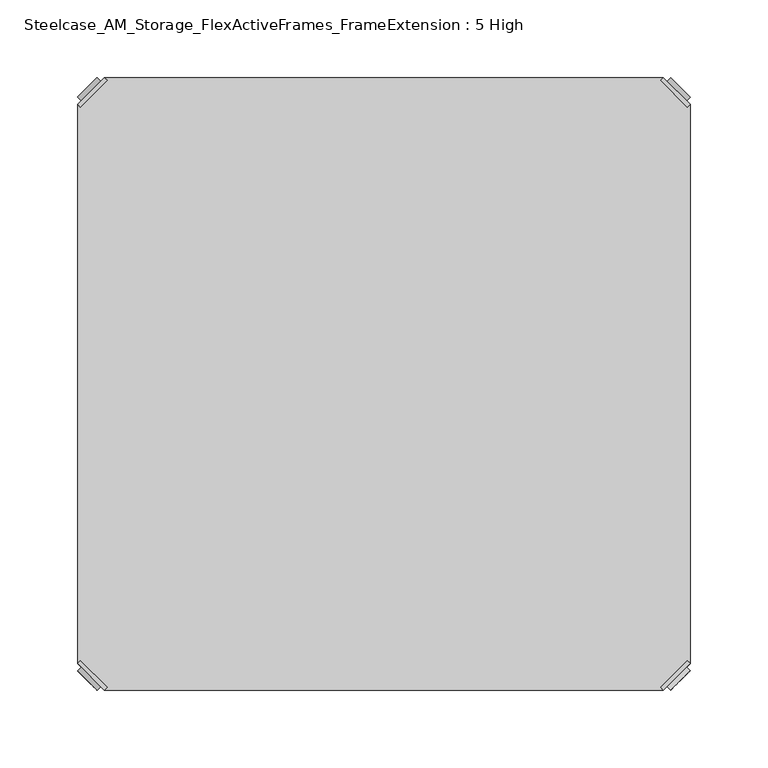
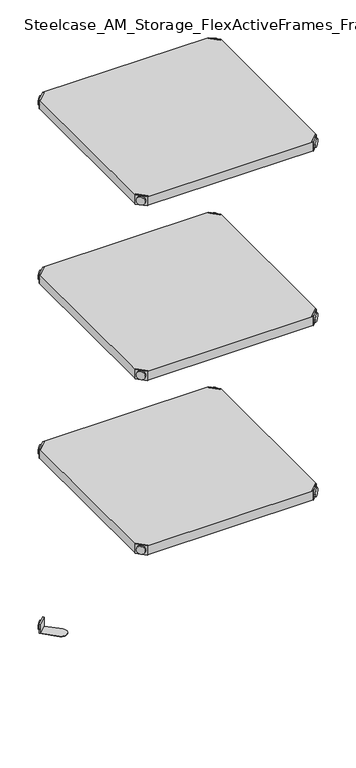
"""IFC4 building model written with IfcOpenShell, lengths in millimetres: furniture geometry, Steelcase_AM_Storage_FlexActiveFrames_FrameExtension : 5 High."""

from ifc_helpers import new_model, si_unit, frame, origin, place, context, project, spatial, polyline, circle_curve, outline, extrude, source, transform, mapped, element, save
from ifc_brep_helpers import plane_surface, cylinder_surface, advanced_brep


def steelcase_am_storage_flexactiveframes_frameextension_5_high_f56de506(model_context):
    return source(origin(), model_context, "Body", "SolidModel", [
        advanced_brep(
        [(2.54, 380.2870969, 1725.93), (4.3360512, 378.4910456, 1725.93), (21.5589544, 395.7139488, 1725.93), (19.7629031, 397.51, 1725.93), (19.7629031, 397.51, 1704.594), (2.54, 380.2870969, 1704.594), (4.8652723, 382.6123691, 1715.77), (17.4376309, 395.1847277, 1715.77), (30.2920522, 352.5350447, 1705.61), (47.5149553, 369.7579478, 1705.61), (21.5589544, 395.7139488, 1705.61), (4.3360512, 378.4910456, 1705.61), (30.2920522, 352.5350447, 1704.594), (47.5149553, 369.7579478, 1704.594), (15.1227513, 397.4996073, 1715.77), (2.5503927, 384.9272487, 1715.77)],
        [
            (0, 1),
            (1, 2),
            (2, 3),
            (3, 0),
            (3, 4),
            (4, 5),
            (5, 0),
            (6, 7, circle_curve(frame((11.1514516, 388.8985484, 1715.77), z_axis=(0.7071067811865446, -0.7071067811865505, 0.0), x_axis=(-0.7071067811865505, -0.7071067811865446, 0.0)), 8.89)),
            (7, 6, circle_curve(frame((11.1514516, 388.8985484, 1715.77), z_axis=(0.7071067811865446, -0.7071067811865505, 0.0), x_axis=(-0.7071067811865505, -0.7071067811865446, 0.0)), 8.89)),
            (8, 9, circle_curve(frame((38.9035037, 361.1464963, 1705.61), z_axis=(0.0, 0.0, 1.0), x_axis=(1.0, 0.0, 0.0)), 12.1784316)),
            (9, 10),
            (10, 11),
            (11, 8),
            (12, 5),
            (4, 13),
            (13, 12, circle_curve(frame((38.9035037, 361.1464963, 1704.594), z_axis=(0.0, 0.0, -1.0), x_axis=(1.0, 0.0, 0.0)), 12.1784316)),
            (14, 15, circle_curve(frame((8.836572, 391.213428, 1715.77), z_axis=(-0.7071067811865446, 0.7071067811865505, 0.0), x_axis=(-0.7071067811865505, -0.7071067811865446, 0.0)), 8.89)),
            (15, 14, circle_curve(frame((8.836572, 391.213428, 1715.77), z_axis=(-0.7071067811865446, 0.7071067811865505, 0.0), x_axis=(-0.7071067811865505, -0.7071067811865446, 0.0)), 8.89)),
            (14, 7),
            (6, 15),
            (1, 11),
            (10, 2),
            (8, 12),
            (13, 9),
        ],
        [
            plane_surface(frame((-19.6579872, 402.485084, 1725.93), z_axis=(0.0, 0.0, 1.0000000000000002), x_axis=(0.7071067811865436, -0.7071067811865516, 0.0))),
            plane_surface(frame((19.7629031, 397.51, 1725.93), z_axis=(-0.7071067811865447, 0.7071067811865503, 0.0), x_axis=(0.0, 0.0, -1.0))),
            plane_surface(frame((51.0819353, 361.1464963, 1705.61), z_axis=(0.0, 0.0, 1.0), x_axis=(0.0, 1.0, 0.0))),
            plane_surface(frame((51.0819353, 361.1464963, 1704.594), z_axis=(0.0, 0.0, -1.0), x_axis=(0.0, -1.0, 0.0))),
            plane_surface(frame((2.5503927, 384.9272487, 1715.77), z_axis=(-0.7071067811865446, 0.7071067811865505, 0.0), x_axis=(0.0, 0.0, 1.0))),
            cylinder_surface(frame((11.1514516, 388.8985484, 1715.77), z_axis=(-0.7071067811865446, 0.7071067811865505, 0.0), x_axis=(-0.7071067811865505, -0.7071067811865446, 0.0)), 8.89),
            plane_surface(frame((4.3360512, 378.4910456, 1725.93), z_axis=(0.7071067811865447, -0.7071067811865503, 0.0), x_axis=(0.0, 0.0, -1.0))),
            cylinder_surface(frame((38.9035037, 361.1464963, 1704.594), z_axis=(0.0, 0.0, 1.0), x_axis=(1.0, 0.0, 0.0)), 12.1784316),
            plane_surface(frame((2.54, 380.2870969, 1725.93), z_axis=(-0.7071067811865516, -0.7071067811865436, 0.0), x_axis=(0.0, 0.0, -1.0))),
            plane_surface(frame((21.5589544, 395.7139488, 1725.93), z_axis=(0.7071067811865513, 0.7071067811865437, 0.0), x_axis=(0.0, 0.0, -1.0))),
        ],
        [
            (0, [[1, 2, 3, 4]]),
            (1, [[-4, 5, 6, 7], [8, 9]]),
            (2, [[10, 11, 12, 13]]),
            (3, [[14, -6, 15, 16]]),
            (4, [[17, 18]]),
            (5, [[-17, 19, -8, 20]]),
            (5, [[-18, -20, -9, -19]]),
            (6, [[-2, 21, -12, 22]]),
            (7, [[-10, 23, -16, 24]]),
            (8, [[-1, -7, -14, -23, -13, -21]]),
            (9, [[-3, -22, -11, -24, -15, -5]]),
        ],
    ),
        advanced_brep(
        [(397.51, 380.2870969, 1725.93), (380.2870969, 397.51, 1725.93), (378.4910456, 395.7139488, 1725.93), (395.7139488, 378.4910456, 1725.93), (397.51, 380.2870969, 1704.594), (380.2870969, 397.51, 1704.594), (395.1847277, 382.6123691, 1715.77), (382.6123691, 395.1847277, 1715.77), (369.7579478, 352.5350447, 1705.61), (395.7139488, 378.4910456, 1705.61), (378.4910456, 395.7139488, 1705.61), (352.5350447, 369.7579478, 1705.61), (369.7579478, 352.5350447, 1704.594), (352.5350447, 369.7579478, 1704.594), (384.9272487, 397.4996073, 1715.77), (397.4996073, 384.9272487, 1715.77)],
        [
            (0, 1),
            (1, 2),
            (2, 3),
            (3, 0),
            (0, 4),
            (4, 5),
            (5, 1),
            (6, 7, circle_curve(frame((388.8985484, 388.8985484, 1715.77), z_axis=(-0.7071067811865446, -0.7071067811865505, 0.0), x_axis=(0.7071067811865505, -0.7071067811865446, 0.0)), 8.89)),
            (7, 6, circle_curve(frame((388.8985484, 388.8985484, 1715.77), z_axis=(-0.7071067811865446, -0.7071067811865505, 0.0), x_axis=(0.7071067811865505, -0.7071067811865446, 0.0)), 8.89)),
            (8, 9),
            (9, 10),
            (10, 11),
            (11, 8, circle_curve(frame((361.1464963, 361.1464963, 1705.61), z_axis=(0.0, 0.0, 1.0), x_axis=(-1.0, 0.0, 0.0)), 12.1784316)),
            (12, 13, circle_curve(frame((361.1464963, 361.1464963, 1704.594), z_axis=(0.0, 0.0, -1.0), x_axis=(-1.0, 0.0, 0.0)), 12.1784316)),
            (13, 5),
            (4, 12),
            (14, 15, circle_curve(frame((391.213428, 391.213428, 1715.77), z_axis=(0.7071067811865446, 0.7071067811865505, 0.0), x_axis=(0.7071067811865505, -0.7071067811865446, 0.0)), 8.89)),
            (15, 14, circle_curve(frame((391.213428, 391.213428, 1715.77), z_axis=(0.7071067811865446, 0.7071067811865505, 0.0), x_axis=(0.7071067811865505, -0.7071067811865446, 0.0)), 8.89)),
            (15, 6),
            (7, 14),
            (2, 10),
            (9, 3),
            (11, 13),
            (12, 8),
        ],
        [
            plane_surface(frame((419.7079872, 402.485084, 1725.93), z_axis=(0.0, 0.0, 1.0000000000000002), x_axis=(-0.7071067811865436, -0.7071067811865516, 0.0))),
            plane_surface(frame((380.2870969, 397.51, 1725.93), z_axis=(0.7071067811865447, 0.7071067811865503, 0.0), x_axis=(0.0, 0.0, -1.0))),
            plane_surface(frame((348.9680647, 361.1464963, 1705.61), z_axis=(0.0, 0.0, 1.0), x_axis=(0.0, 1.0, 0.0))),
            plane_surface(frame((348.9680647, 361.1464963, 1704.594), z_axis=(0.0, 0.0, -1.0), x_axis=(0.0, -1.0, 0.0))),
            plane_surface(frame((397.4996073, 384.9272487, 1715.77), z_axis=(0.7071067811865446, 0.7071067811865505, 0.0), x_axis=(0.0, 0.0, 1.0))),
            cylinder_surface(frame((388.8985484, 388.8985484, 1715.77), z_axis=(0.7071067811865446, 0.7071067811865505, 0.0), x_axis=(0.7071067811865505, -0.7071067811865446, 0.0)), 8.89),
            plane_surface(frame((395.7139488, 378.4910456, 1725.93), z_axis=(-0.7071067811865447, -0.7071067811865503, 0.0), x_axis=(0.0, 0.0, -1.0))),
            cylinder_surface(frame((361.1464963, 361.1464963, 1704.594), z_axis=(0.0, 0.0, 1.0), x_axis=(-1.0, 0.0, 0.0)), 12.1784316),
            plane_surface(frame((397.51, 380.2870969, 1725.93), z_axis=(0.7071067811865516, -0.7071067811865436, 0.0), x_axis=(0.0, 0.0, -1.0))),
            plane_surface(frame((378.4910456, 395.7139488, 1725.93), z_axis=(-0.7071067811865513, 0.7071067811865437, 0.0), x_axis=(0.0, 0.0, -1.0))),
        ],
        [
            (0, [[1, 2, 3, 4]]),
            (1, [[5, 6, 7, -1], [8, 9]]),
            (2, [[10, 11, 12, 13]]),
            (3, [[14, 15, -6, 16]]),
            (4, [[17, 18]]),
            (5, [[19, -9, 20, -18]]),
            (5, [[-20, -8, -19, -17]]),
            (6, [[21, -11, 22, -3]]),
            (7, [[23, -14, 24, -13]]),
            (8, [[-22, -10, -24, -16, -5, -4]]),
            (9, [[-7, -15, -23, -12, -21, -2]]),
        ],
    ),
        advanced_brep(
        [(397.51, 19.7629031, 1725.93), (395.7139488, 21.5589544, 1725.93), (378.4910456, 4.3360512, 1725.93), (380.2870969, 2.54, 1725.93), (380.2870969, 2.54, 1704.594), (397.51, 19.7629031, 1704.594), (395.1847277, 17.4376309, 1715.77), (382.6123691, 4.8652723, 1715.77), (369.7579478, 47.5149553, 1705.61), (352.5350447, 30.2920522, 1705.61), (378.4910456, 4.3360512, 1705.61), (395.7139488, 21.5589544, 1705.61), (369.7579478, 47.5149553, 1704.594), (352.5350447, 30.2920522, 1704.594), (384.9272487, 2.5503927, 1715.77), (397.4996073, 15.1227513, 1715.77)],
        [
            (0, 1),
            (1, 2),
            (2, 3),
            (3, 0),
            (3, 4),
            (4, 5),
            (5, 0),
            (6, 7, circle_curve(frame((388.8985484, 11.1514516, 1715.77), z_axis=(-0.7071067811865469, 0.7071067811865481, 0.0), x_axis=(0.7071067811865481, 0.7071067811865469, 0.0)), 8.89)),
            (7, 6, circle_curve(frame((388.8985484, 11.1514516, 1715.77), z_axis=(-0.7071067811865469, 0.7071067811865481, 0.0), x_axis=(0.7071067811865481, 0.7071067811865469, 0.0)), 8.89)),
            (8, 9, circle_curve(frame((361.1464963, 38.9035037, 1705.61), z_axis=(0.0, 0.0, 1.0), x_axis=(-1.0, 0.0, 0.0)), 12.1784316)),
            (9, 10),
            (10, 11),
            (11, 8),
            (12, 5),
            (4, 13),
            (13, 12, circle_curve(frame((361.1464963, 38.9035037, 1704.594), z_axis=(0.0, 0.0, -1.0), x_axis=(-1.0, 0.0, 0.0)), 12.1784316)),
            (14, 15, circle_curve(frame((391.213428, 8.836572, 1715.77), z_axis=(0.7071067811865469, -0.7071067811865481, 0.0), x_axis=(0.7071067811865481, 0.7071067811865469, 0.0)), 8.89)),
            (15, 14, circle_curve(frame((391.213428, 8.836572, 1715.77), z_axis=(0.7071067811865469, -0.7071067811865481, 0.0), x_axis=(0.7071067811865481, 0.7071067811865469, 0.0)), 8.89)),
            (14, 7),
            (6, 15),
            (1, 11),
            (10, 2),
            (8, 12),
            (13, 9),
        ],
        [
            plane_surface(frame((419.7079872, -2.435084, 1725.93), z_axis=(0.0, 0.0, 1.0000000000000002), x_axis=(-0.7071067811865459, 0.7071067811865492, 0.0))),
            plane_surface(frame((380.2870969, 2.54, 1725.93), z_axis=(0.707106781186547, -0.707106781186548, 0.0), x_axis=(0.0, 0.0, -1.0))),
            plane_surface(frame((348.9680647, 38.9035037, 1705.61), z_axis=(0.0, 0.0, 1.0), x_axis=(0.0, -1.0, 0.0))),
            plane_surface(frame((348.9680647, 38.9035037, 1704.594), z_axis=(0.0, 0.0, -1.0), x_axis=(0.0, 1.0, 0.0))),
            plane_surface(frame((397.4996073, 15.1227513, 1715.77), z_axis=(0.7071067811865469, -0.7071067811865481, 0.0), x_axis=(0.0, 0.0, 1.0))),
            cylinder_surface(frame((388.8985484, 11.1514516, 1715.77), z_axis=(0.7071067811865469, -0.7071067811865481, 0.0), x_axis=(0.7071067811865481, 0.7071067811865469, 0.0)), 8.89),
            plane_surface(frame((395.7139488, 21.5589544, 1725.93), z_axis=(-0.707106781186547, 0.707106781186548, 0.0), x_axis=(0.0, 0.0, -1.0))),
            cylinder_surface(frame((361.1464963, 38.9035037, 1704.594), z_axis=(0.0, 0.0, 1.0), x_axis=(-1.0, 0.0, 0.0)), 12.1784316),
            plane_surface(frame((397.51, 19.7629031, 1725.93), z_axis=(0.7071067811865492, 0.7071067811865459, 0.0), x_axis=(0.0, 0.0, -1.0))),
            plane_surface(frame((378.4910456, 4.3360512, 1725.93), z_axis=(-0.707106781186549, -0.707106781186546, 0.0), x_axis=(0.0, 0.0, -1.0))),
        ],
        [
            (0, [[1, 2, 3, 4]]),
            (1, [[-4, 5, 6, 7], [8, 9]]),
            (2, [[10, 11, 12, 13]]),
            (3, [[14, -6, 15, 16]]),
            (4, [[17, 18]]),
            (5, [[-17, 19, -8, 20]]),
            (5, [[-18, -20, -9, -19]]),
            (6, [[-2, 21, -12, 22]]),
            (7, [[-10, 23, -16, 24]]),
            (8, [[-1, -7, -14, -23, -13, -21]]),
            (9, [[-3, -22, -11, -24, -15, -5]]),
        ],
    ),
        advanced_brep(
        [(2.54, 19.7629031, 1725.93), (19.7629031, 2.54, 1725.93), (21.5589544, 4.3360512, 1725.93), (4.3360512, 21.5589544, 1725.93), (2.54, 19.7629031, 1704.594), (19.7629031, 2.54, 1704.594), (4.8652723, 17.4376309, 1715.77), (17.4376309, 4.8652723, 1715.77), (30.2920522, 47.5149553, 1705.61), (4.3360512, 21.5589544, 1705.61), (21.5589544, 4.3360512, 1705.61), (47.5149553, 30.2920522, 1705.61), (30.2920522, 47.5149553, 1704.594), (47.5149553, 30.2920522, 1704.594), (15.1227513, 2.5503927, 1715.77), (2.5503927, 15.1227513, 1715.77)],
        [
            (0, 1),
            (1, 2),
            (2, 3),
            (3, 0),
            (0, 4),
            (4, 5),
            (5, 1),
            (6, 7, circle_curve(frame((11.1514516, 11.1514516, 1715.77), z_axis=(0.7071067811865469, 0.7071067811865481, 0.0), x_axis=(-0.7071067811865481, 0.7071067811865469, 0.0)), 8.89)),
            (7, 6, circle_curve(frame((11.1514516, 11.1514516, 1715.77), z_axis=(0.7071067811865469, 0.7071067811865481, 0.0), x_axis=(-0.7071067811865481, 0.7071067811865469, 0.0)), 8.89)),
            (8, 9),
            (9, 10),
            (10, 11),
            (11, 8, circle_curve(frame((38.9035037, 38.9035037, 1705.61), z_axis=(0.0, 0.0, 1.0), x_axis=(1.0, 0.0, 0.0)), 12.1784316)),
            (12, 13, circle_curve(frame((38.9035037, 38.9035037, 1704.594), z_axis=(0.0, 0.0, -1.0), x_axis=(1.0, 0.0, 0.0)), 12.1784316)),
            (13, 5),
            (4, 12),
            (14, 15, circle_curve(frame((8.836572, 8.836572, 1715.77), z_axis=(-0.7071067811865469, -0.7071067811865481, 0.0), x_axis=(-0.7071067811865481, 0.7071067811865469, 0.0)), 8.89)),
            (15, 14, circle_curve(frame((8.836572, 8.836572, 1715.77), z_axis=(-0.7071067811865469, -0.7071067811865481, 0.0), x_axis=(-0.7071067811865481, 0.7071067811865469, 0.0)), 8.89)),
            (15, 6),
            (7, 14),
            (2, 10),
            (9, 3),
            (11, 13),
            (12, 8),
        ],
        [
            plane_surface(frame((-19.6579872, -2.435084, 1725.93), z_axis=(0.0, 0.0, 1.0000000000000002), x_axis=(0.7071067811865459, 0.7071067811865492, 0.0))),
            plane_surface(frame((19.7629031, 2.54, 1725.93), z_axis=(-0.707106781186547, -0.707106781186548, 0.0), x_axis=(0.0, 0.0, -1.0))),
            plane_surface(frame((51.0819353, 38.9035037, 1705.61), z_axis=(0.0, 0.0, 1.0), x_axis=(0.0, -1.0, 0.0))),
            plane_surface(frame((51.0819353, 38.9035037, 1704.594), z_axis=(0.0, 0.0, -1.0), x_axis=(0.0, 1.0, 0.0))),
            plane_surface(frame((2.5503927, 15.1227513, 1715.77), z_axis=(-0.7071067811865469, -0.7071067811865481, 0.0), x_axis=(0.0, 0.0, 1.0))),
            cylinder_surface(frame((11.1514516, 11.1514516, 1715.77), z_axis=(-0.7071067811865469, -0.7071067811865481, 0.0), x_axis=(-0.7071067811865481, 0.7071067811865469, 0.0)), 8.89),
            plane_surface(frame((4.3360512, 21.5589544, 1725.93), z_axis=(0.707106781186547, 0.707106781186548, 0.0), x_axis=(0.0, 0.0, -1.0))),
            cylinder_surface(frame((38.9035037, 38.9035037, 1704.594), z_axis=(0.0, 0.0, 1.0), x_axis=(1.0, 0.0, 0.0)), 12.1784316),
            plane_surface(frame((2.54, 19.7629031, 1725.93), z_axis=(-0.7071067811865492, 0.7071067811865459, 0.0), x_axis=(0.0, 0.0, -1.0))),
            plane_surface(frame((21.5589544, 4.3360512, 1725.93), z_axis=(0.707106781186549, -0.707106781186546, 0.0), x_axis=(0.0, 0.0, -1.0))),
        ],
        [
            (0, [[1, 2, 3, 4]]),
            (1, [[5, 6, 7, -1], [8, 9]]),
            (2, [[10, 11, 12, 13]]),
            (3, [[14, 15, -6, 16]]),
            (4, [[17, 18]]),
            (5, [[19, -9, 20, -18]]),
            (5, [[-20, -8, -19, -17]]),
            (6, [[21, -11, 22, -3]]),
            (7, [[23, -14, 24, -13]]),
            (8, [[-22, -10, -24, -16, -5, -4]]),
            (9, [[-7, -15, -23, -12, -21, -2]]),
        ],
    ),
        extrude(outline(polyline([(19.7629031, 2.54), (21.5589544, 4.3360512), (4.3360512, 21.5589544), (2.54, 19.7629031), (2.54, 380.2870969), (4.3360512, 378.4910456), (21.5589544, 395.7139488), (19.7629031, 397.51), (380.2870969, 397.51), (378.4910456, 395.7139488), (395.7139488, 378.4910456), (397.51, 380.2870969), (397.51, 19.7629031), (395.7139488, 21.5589544), (378.4910456, 4.3360512), (380.2870969, 2.54), (19.7629031, 2.54)])), frame((0.0, 0.0, 1705.61), z_axis=(0.0, 0.0, 1.0), x_axis=(1.0, 0.0, 0.0)), (0.0, 0.0, 1.0), 20.32),
        advanced_brep(
        [(2.54, 380.2870969, 1324.61), (4.3360512, 378.4910456, 1324.61), (21.5589544, 395.7139488, 1324.61), (19.7629031, 397.51, 1324.61), (19.7629031, 397.51, 1303.274), (2.54, 380.2870969, 1303.274), (4.8652723, 382.6123691, 1314.45), (17.4376309, 395.1847277, 1314.45), (30.2920522, 352.5350447, 1304.29), (47.5149553, 369.7579478, 1304.29), (21.5589544, 395.7139488, 1304.29), (4.3360512, 378.4910456, 1304.29), (30.2920522, 352.5350447, 1303.274), (47.5149553, 369.7579478, 1303.274), (15.1227513, 397.4996073, 1314.45), (2.5503927, 384.9272487, 1314.45)],
        [
            (0, 1),
            (1, 2),
            (2, 3),
            (3, 0),
            (3, 4),
            (4, 5),
            (5, 0),
            (6, 7, circle_curve(frame((11.1514516, 388.8985484, 1314.45), z_axis=(0.7071067811865446, -0.7071067811865505, 0.0), x_axis=(-0.7071067811865505, -0.7071067811865446, 0.0)), 8.89)),
            (7, 6, circle_curve(frame((11.1514516, 388.8985484, 1314.45), z_axis=(0.7071067811865446, -0.7071067811865505, 0.0), x_axis=(-0.7071067811865505, -0.7071067811865446, 0.0)), 8.89)),
            (8, 9, circle_curve(frame((38.9035037, 361.1464963, 1304.29), z_axis=(0.0, 0.0, 1.0), x_axis=(1.0, 0.0, 0.0)), 12.1784316)),
            (9, 10),
            (10, 11),
            (11, 8),
            (12, 5),
            (4, 13),
            (13, 12, circle_curve(frame((38.9035037, 361.1464963, 1303.274), z_axis=(0.0, 0.0, -1.0), x_axis=(1.0, 0.0, 0.0)), 12.1784316)),
            (14, 15, circle_curve(frame((8.836572, 391.213428, 1314.45), z_axis=(-0.7071067811865446, 0.7071067811865505, 0.0), x_axis=(-0.7071067811865505, -0.7071067811865446, 0.0)), 8.89)),
            (15, 14, circle_curve(frame((8.836572, 391.213428, 1314.45), z_axis=(-0.7071067811865446, 0.7071067811865505, 0.0), x_axis=(-0.7071067811865505, -0.7071067811865446, 0.0)), 8.89)),
            (14, 7),
            (6, 15),
            (1, 11),
            (10, 2),
            (8, 12),
            (13, 9),
        ],
        [
            plane_surface(frame((-19.6579872, 402.485084, 1324.61), z_axis=(0.0, 0.0, 1.0000000000000002), x_axis=(0.7071067811865436, -0.7071067811865516, 0.0))),
            plane_surface(frame((19.7629031, 397.51, 1324.61), z_axis=(-0.7071067811865447, 0.7071067811865503, 0.0), x_axis=(0.0, 0.0, -1.0))),
            plane_surface(frame((51.0819353, 361.1464963, 1304.29), z_axis=(0.0, 0.0, 1.0), x_axis=(0.0, 1.0, 0.0))),
            plane_surface(frame((51.0819353, 361.1464963, 1303.274), z_axis=(0.0, 0.0, -1.0), x_axis=(0.0, -1.0, 0.0))),
            plane_surface(frame((2.5503927, 384.9272487, 1314.45), z_axis=(-0.7071067811865446, 0.7071067811865505, 0.0), x_axis=(0.0, 0.0, 1.0))),
            cylinder_surface(frame((11.1514516, 388.8985484, 1314.45), z_axis=(-0.7071067811865446, 0.7071067811865505, 0.0), x_axis=(-0.7071067811865505, -0.7071067811865446, 0.0)), 8.89),
            plane_surface(frame((4.3360512, 378.4910456, 1324.61), z_axis=(0.7071067811865447, -0.7071067811865503, 0.0), x_axis=(0.0, 0.0, -1.0))),
            cylinder_surface(frame((38.9035037, 361.1464963, 1303.274), z_axis=(0.0, 0.0, 1.0), x_axis=(1.0, 0.0, 0.0)), 12.1784316),
            plane_surface(frame((2.54, 380.2870969, 1324.61), z_axis=(-0.7071067811865516, -0.7071067811865436, 0.0), x_axis=(0.0, 0.0, -1.0))),
            plane_surface(frame((21.5589544, 395.7139488, 1324.61), z_axis=(0.7071067811865513, 0.7071067811865437, 0.0), x_axis=(0.0, 0.0, -1.0))),
        ],
        [
            (0, [[1, 2, 3, 4]]),
            (1, [[-4, 5, 6, 7], [8, 9]]),
            (2, [[10, 11, 12, 13]]),
            (3, [[14, -6, 15, 16]]),
            (4, [[17, 18]]),
            (5, [[-17, 19, -8, 20]]),
            (5, [[-18, -20, -9, -19]]),
            (6, [[-2, 21, -12, 22]]),
            (7, [[-10, 23, -16, 24]]),
            (8, [[-1, -7, -14, -23, -13, -21]]),
            (9, [[-3, -22, -11, -24, -15, -5]]),
        ],
    ),
        advanced_brep(
        [(397.51, 380.2870969, 1324.61), (380.2870969, 397.51, 1324.61), (378.4910456, 395.7139488, 1324.61), (395.7139488, 378.4910456, 1324.61), (397.51, 380.2870969, 1303.274), (380.2870969, 397.51, 1303.274), (395.1847277, 382.6123691, 1314.45), (382.6123691, 395.1847277, 1314.45), (369.7579478, 352.5350447, 1304.29), (395.7139488, 378.4910456, 1304.29), (378.4910456, 395.7139488, 1304.29), (352.5350447, 369.7579478, 1304.29), (369.7579478, 352.5350447, 1303.274), (352.5350447, 369.7579478, 1303.274), (384.9272487, 397.4996073, 1314.45), (397.4996073, 384.9272487, 1314.45)],
        [
            (0, 1),
            (1, 2),
            (2, 3),
            (3, 0),
            (0, 4),
            (4, 5),
            (5, 1),
            (6, 7, circle_curve(frame((388.8985484, 388.8985484, 1314.45), z_axis=(-0.7071067811865446, -0.7071067811865505, 0.0), x_axis=(0.7071067811865505, -0.7071067811865446, 0.0)), 8.89)),
            (7, 6, circle_curve(frame((388.8985484, 388.8985484, 1314.45), z_axis=(-0.7071067811865446, -0.7071067811865505, 0.0), x_axis=(0.7071067811865505, -0.7071067811865446, 0.0)), 8.89)),
            (8, 9),
            (9, 10),
            (10, 11),
            (11, 8, circle_curve(frame((361.1464963, 361.1464963, 1304.29), z_axis=(0.0, 0.0, 1.0), x_axis=(-1.0, 0.0, 0.0)), 12.1784316)),
            (12, 13, circle_curve(frame((361.1464963, 361.1464963, 1303.274), z_axis=(0.0, 0.0, -1.0), x_axis=(-1.0, 0.0, 0.0)), 12.1784316)),
            (13, 5),
            (4, 12),
            (14, 15, circle_curve(frame((391.213428, 391.213428, 1314.45), z_axis=(0.7071067811865446, 0.7071067811865505, 0.0), x_axis=(0.7071067811865505, -0.7071067811865446, 0.0)), 8.89)),
            (15, 14, circle_curve(frame((391.213428, 391.213428, 1314.45), z_axis=(0.7071067811865446, 0.7071067811865505, 0.0), x_axis=(0.7071067811865505, -0.7071067811865446, 0.0)), 8.89)),
            (15, 6),
            (7, 14),
            (2, 10),
            (9, 3),
            (11, 13),
            (12, 8),
        ],
        [
            plane_surface(frame((419.7079872, 402.485084, 1324.61), z_axis=(0.0, 0.0, 1.0000000000000002), x_axis=(-0.7071067811865436, -0.7071067811865516, 0.0))),
            plane_surface(frame((380.2870969, 397.51, 1324.61), z_axis=(0.7071067811865447, 0.7071067811865503, 0.0), x_axis=(0.0, 0.0, -1.0))),
            plane_surface(frame((348.9680647, 361.1464963, 1304.29), z_axis=(0.0, 0.0, 1.0), x_axis=(0.0, 1.0, 0.0))),
            plane_surface(frame((348.9680647, 361.1464963, 1303.274), z_axis=(0.0, 0.0, -1.0), x_axis=(0.0, -1.0, 0.0))),
            plane_surface(frame((397.4996073, 384.9272487, 1314.45), z_axis=(0.7071067811865446, 0.7071067811865505, 0.0), x_axis=(0.0, 0.0, 1.0))),
            cylinder_surface(frame((388.8985484, 388.8985484, 1314.45), z_axis=(0.7071067811865446, 0.7071067811865505, 0.0), x_axis=(0.7071067811865505, -0.7071067811865446, 0.0)), 8.89),
            plane_surface(frame((395.7139488, 378.4910456, 1324.61), z_axis=(-0.7071067811865447, -0.7071067811865503, 0.0), x_axis=(0.0, 0.0, -1.0))),
            cylinder_surface(frame((361.1464963, 361.1464963, 1303.274), z_axis=(0.0, 0.0, 1.0), x_axis=(-1.0, 0.0, 0.0)), 12.1784316),
            plane_surface(frame((397.51, 380.2870969, 1324.61), z_axis=(0.7071067811865516, -0.7071067811865436, 0.0), x_axis=(0.0, 0.0, -1.0))),
            plane_surface(frame((378.4910456, 395.7139488, 1324.61), z_axis=(-0.7071067811865513, 0.7071067811865437, 0.0), x_axis=(0.0, 0.0, -1.0))),
        ],
        [
            (0, [[1, 2, 3, 4]]),
            (1, [[5, 6, 7, -1], [8, 9]]),
            (2, [[10, 11, 12, 13]]),
            (3, [[14, 15, -6, 16]]),
            (4, [[17, 18]]),
            (5, [[19, -9, 20, -18]]),
            (5, [[-20, -8, -19, -17]]),
            (6, [[21, -11, 22, -3]]),
            (7, [[23, -14, 24, -13]]),
            (8, [[-22, -10, -24, -16, -5, -4]]),
            (9, [[-7, -15, -23, -12, -21, -2]]),
        ],
    ),
        advanced_brep(
        [(397.51, 19.7629031, 1324.61), (395.7139488, 21.5589544, 1324.61), (378.4910456, 4.3360512, 1324.61), (380.2870969, 2.54, 1324.61), (380.2870969, 2.54, 1303.274), (397.51, 19.7629031, 1303.274), (395.1847277, 17.4376309, 1314.45), (382.6123691, 4.8652723, 1314.45), (369.7579478, 47.5149553, 1304.29), (352.5350447, 30.2920522, 1304.29), (378.4910456, 4.3360512, 1304.29), (395.7139488, 21.5589544, 1304.29), (369.7579478, 47.5149553, 1303.274), (352.5350447, 30.2920522, 1303.274), (384.9272487, 2.5503927, 1314.45), (397.4996073, 15.1227513, 1314.45)],
        [
            (0, 1),
            (1, 2),
            (2, 3),
            (3, 0),
            (3, 4),
            (4, 5),
            (5, 0),
            (6, 7, circle_curve(frame((388.8985484, 11.1514516, 1314.45), z_axis=(-0.7071067811865469, 0.7071067811865481, 0.0), x_axis=(0.7071067811865481, 0.7071067811865469, 0.0)), 8.89)),
            (7, 6, circle_curve(frame((388.8985484, 11.1514516, 1314.45), z_axis=(-0.7071067811865469, 0.7071067811865481, 0.0), x_axis=(0.7071067811865481, 0.7071067811865469, 0.0)), 8.89)),
            (8, 9, circle_curve(frame((361.1464963, 38.9035037, 1304.29), z_axis=(0.0, 0.0, 1.0), x_axis=(-1.0, 0.0, 0.0)), 12.1784316)),
            (9, 10),
            (10, 11),
            (11, 8),
            (12, 5),
            (4, 13),
            (13, 12, circle_curve(frame((361.1464963, 38.9035037, 1303.274), z_axis=(0.0, 0.0, -1.0), x_axis=(-1.0, 0.0, 0.0)), 12.1784316)),
            (14, 15, circle_curve(frame((391.213428, 8.836572, 1314.45), z_axis=(0.7071067811865469, -0.7071067811865481, 0.0), x_axis=(0.7071067811865481, 0.7071067811865469, 0.0)), 8.89)),
            (15, 14, circle_curve(frame((391.213428, 8.836572, 1314.45), z_axis=(0.7071067811865469, -0.7071067811865481, 0.0), x_axis=(0.7071067811865481, 0.7071067811865469, 0.0)), 8.89)),
            (14, 7),
            (6, 15),
            (1, 11),
            (10, 2),
            (8, 12),
            (13, 9),
        ],
        [
            plane_surface(frame((419.7079872, -2.435084, 1324.61), z_axis=(0.0, 0.0, 1.0000000000000002), x_axis=(-0.7071067811865459, 0.7071067811865492, 0.0))),
            plane_surface(frame((380.2870969, 2.54, 1324.61), z_axis=(0.707106781186547, -0.707106781186548, 0.0), x_axis=(0.0, 0.0, -1.0))),
            plane_surface(frame((348.9680647, 38.9035037, 1304.29), z_axis=(0.0, 0.0, 1.0), x_axis=(0.0, -1.0, 0.0))),
            plane_surface(frame((348.9680647, 38.9035037, 1303.274), z_axis=(0.0, 0.0, -1.0), x_axis=(0.0, 1.0, 0.0))),
            plane_surface(frame((397.4996073, 15.1227513, 1314.45), z_axis=(0.7071067811865469, -0.7071067811865481, 0.0), x_axis=(0.0, 0.0, 1.0))),
            cylinder_surface(frame((388.8985484, 11.1514516, 1314.45), z_axis=(0.7071067811865469, -0.7071067811865481, 0.0), x_axis=(0.7071067811865481, 0.7071067811865469, 0.0)), 8.89),
            plane_surface(frame((395.7139488, 21.5589544, 1324.61), z_axis=(-0.707106781186547, 0.707106781186548, 0.0), x_axis=(0.0, 0.0, -1.0))),
            cylinder_surface(frame((361.1464963, 38.9035037, 1303.274), z_axis=(0.0, 0.0, 1.0), x_axis=(-1.0, 0.0, 0.0)), 12.1784316),
            plane_surface(frame((397.51, 19.7629031, 1324.61), z_axis=(0.7071067811865492, 0.7071067811865459, 0.0), x_axis=(0.0, 0.0, -1.0))),
            plane_surface(frame((378.4910456, 4.3360512, 1324.61), z_axis=(-0.707106781186549, -0.707106781186546, 0.0), x_axis=(0.0, 0.0, -1.0))),
        ],
        [
            (0, [[1, 2, 3, 4]]),
            (1, [[-4, 5, 6, 7], [8, 9]]),
            (2, [[10, 11, 12, 13]]),
            (3, [[14, -6, 15, 16]]),
            (4, [[17, 18]]),
            (5, [[-17, 19, -8, 20]]),
            (5, [[-18, -20, -9, -19]]),
            (6, [[-2, 21, -12, 22]]),
            (7, [[-10, 23, -16, 24]]),
            (8, [[-1, -7, -14, -23, -13, -21]]),
            (9, [[-3, -22, -11, -24, -15, -5]]),
        ],
    ),
        advanced_brep(
        [(2.54, 19.7629031, 1324.61), (19.7629031, 2.54, 1324.61), (21.5589544, 4.3360512, 1324.61), (4.3360512, 21.5589544, 1324.61), (2.54, 19.7629031, 1303.274), (19.7629031, 2.54, 1303.274), (4.8652723, 17.4376309, 1314.45), (17.4376309, 4.8652723, 1314.45), (30.2920522, 47.5149553, 1304.29), (4.3360512, 21.5589544, 1304.29), (21.5589544, 4.3360512, 1304.29), (47.5149553, 30.2920522, 1304.29), (30.2920522, 47.5149553, 1303.274), (47.5149553, 30.2920522, 1303.274), (15.1227513, 2.5503927, 1314.45), (2.5503927, 15.1227513, 1314.45)],
        [
            (0, 1),
            (1, 2),
            (2, 3),
            (3, 0),
            (0, 4),
            (4, 5),
            (5, 1),
            (6, 7, circle_curve(frame((11.1514516, 11.1514516, 1314.45), z_axis=(0.7071067811865469, 0.7071067811865481, 0.0), x_axis=(-0.7071067811865481, 0.7071067811865469, 0.0)), 8.89)),
            (7, 6, circle_curve(frame((11.1514516, 11.1514516, 1314.45), z_axis=(0.7071067811865469, 0.7071067811865481, 0.0), x_axis=(-0.7071067811865481, 0.7071067811865469, 0.0)), 8.89)),
            (8, 9),
            (9, 10),
            (10, 11),
            (11, 8, circle_curve(frame((38.9035037, 38.9035037, 1304.29), z_axis=(0.0, 0.0, 1.0), x_axis=(1.0, 0.0, 0.0)), 12.1784316)),
            (12, 13, circle_curve(frame((38.9035037, 38.9035037, 1303.274), z_axis=(0.0, 0.0, -1.0), x_axis=(1.0, 0.0, 0.0)), 12.1784316)),
            (13, 5),
            (4, 12),
            (14, 15, circle_curve(frame((8.836572, 8.836572, 1314.45), z_axis=(-0.7071067811865469, -0.7071067811865481, 0.0), x_axis=(-0.7071067811865481, 0.7071067811865469, 0.0)), 8.89)),
            (15, 14, circle_curve(frame((8.836572, 8.836572, 1314.45), z_axis=(-0.7071067811865469, -0.7071067811865481, 0.0), x_axis=(-0.7071067811865481, 0.7071067811865469, 0.0)), 8.89)),
            (15, 6),
            (7, 14),
            (2, 10),
            (9, 3),
            (11, 13),
            (12, 8),
        ],
        [
            plane_surface(frame((-19.6579872, -2.435084, 1324.61), z_axis=(0.0, 0.0, 1.0000000000000002), x_axis=(0.7071067811865459, 0.7071067811865492, 0.0))),
            plane_surface(frame((19.7629031, 2.54, 1324.61), z_axis=(-0.707106781186547, -0.707106781186548, 0.0), x_axis=(0.0, 0.0, -1.0))),
            plane_surface(frame((51.0819353, 38.9035037, 1304.29), z_axis=(0.0, 0.0, 1.0), x_axis=(0.0, -1.0, 0.0))),
            plane_surface(frame((51.0819353, 38.9035037, 1303.274), z_axis=(0.0, 0.0, -1.0), x_axis=(0.0, 1.0, 0.0))),
            plane_surface(frame((2.5503927, 15.1227513, 1314.45), z_axis=(-0.7071067811865469, -0.7071067811865481, 0.0), x_axis=(0.0, 0.0, 1.0))),
            cylinder_surface(frame((11.1514516, 11.1514516, 1314.45), z_axis=(-0.7071067811865469, -0.7071067811865481, 0.0), x_axis=(-0.7071067811865481, 0.7071067811865469, 0.0)), 8.89),
            plane_surface(frame((4.3360512, 21.5589544, 1324.61), z_axis=(0.707106781186547, 0.707106781186548, 0.0), x_axis=(0.0, 0.0, -1.0))),
            cylinder_surface(frame((38.9035037, 38.9035037, 1303.274), z_axis=(0.0, 0.0, 1.0), x_axis=(1.0, 0.0, 0.0)), 12.1784316),
            plane_surface(frame((2.54, 19.7629031, 1324.61), z_axis=(-0.7071067811865492, 0.7071067811865459, 0.0), x_axis=(0.0, 0.0, -1.0))),
            plane_surface(frame((21.5589544, 4.3360512, 1324.61), z_axis=(0.707106781186549, -0.707106781186546, 0.0), x_axis=(0.0, 0.0, -1.0))),
        ],
        [
            (0, [[1, 2, 3, 4]]),
            (1, [[5, 6, 7, -1], [8, 9]]),
            (2, [[10, 11, 12, 13]]),
            (3, [[14, 15, -6, 16]]),
            (4, [[17, 18]]),
            (5, [[19, -9, 20, -18]]),
            (5, [[-20, -8, -19, -17]]),
            (6, [[21, -11, 22, -3]]),
            (7, [[23, -14, 24, -13]]),
            (8, [[-22, -10, -24, -16, -5, -4]]),
            (9, [[-7, -15, -23, -12, -21, -2]]),
        ],
    ),
        extrude(outline(polyline([(19.7629031, 2.54), (21.5589544, 4.3360512), (4.3360512, 21.5589544), (2.54, 19.7629031), (2.54, 380.2870969), (4.3360512, 378.4910456), (21.5589544, 395.7139488), (19.7629031, 397.51), (380.2870969, 397.51), (378.4910456, 395.7139488), (395.7139488, 378.4910456), (397.51, 380.2870969), (397.51, 19.7629031), (395.7139488, 21.5589544), (378.4910456, 4.3360512), (380.2870969, 2.54), (19.7629031, 2.54)])), frame((0.0, 0.0, 1304.29), z_axis=(0.0, 0.0, 1.0), x_axis=(1.0, 0.0, 0.0)), (0.0, 0.0, 1.0), 20.32),
        advanced_brep(
        [(2.54, 380.2870969, 923.29), (4.3360512, 378.4910456, 923.29), (21.5589544, 395.7139488, 923.29), (19.7629031, 397.51, 923.29), (19.7629031, 397.51, 901.954), (2.54, 380.2870969, 901.954), (4.8652723, 382.6123691, 913.13), (17.4376309, 395.1847277, 913.13), (30.2920522, 352.5350447, 902.97), (47.5149553, 369.7579478, 902.97), (21.5589544, 395.7139488, 902.97), (4.3360512, 378.4910456, 902.97), (30.2920522, 352.5350447, 901.954), (47.5149553, 369.7579478, 901.954), (15.1227513, 397.4996073, 913.13), (2.5503927, 384.9272487, 913.13)],
        [
            (0, 1),
            (1, 2),
            (2, 3),
            (3, 0),
            (3, 4),
            (4, 5),
            (5, 0),
            (6, 7, circle_curve(frame((11.1514516, 388.8985484, 913.13), z_axis=(0.7071067811865446, -0.7071067811865505, 0.0), x_axis=(-0.7071067811865505, -0.7071067811865446, 0.0)), 8.89)),
            (7, 6, circle_curve(frame((11.1514516, 388.8985484, 913.13), z_axis=(0.7071067811865446, -0.7071067811865505, 0.0), x_axis=(-0.7071067811865505, -0.7071067811865446, 0.0)), 8.89)),
            (8, 9, circle_curve(frame((38.9035037, 361.1464963, 902.97), z_axis=(0.0, 0.0, 1.0), x_axis=(1.0, 0.0, 0.0)), 12.1784316)),
            (9, 10),
            (10, 11),
            (11, 8),
            (12, 5),
            (4, 13),
            (13, 12, circle_curve(frame((38.9035037, 361.1464963, 901.954), z_axis=(0.0, 0.0, -1.0), x_axis=(1.0, 0.0, 0.0)), 12.1784316)),
            (14, 15, circle_curve(frame((8.836572, 391.213428, 913.13), z_axis=(-0.7071067811865446, 0.7071067811865505, 0.0), x_axis=(-0.7071067811865505, -0.7071067811865446, 0.0)), 8.89)),
            (15, 14, circle_curve(frame((8.836572, 391.213428, 913.13), z_axis=(-0.7071067811865446, 0.7071067811865505, 0.0), x_axis=(-0.7071067811865505, -0.7071067811865446, 0.0)), 8.89)),
            (14, 7),
            (6, 15),
            (1, 11),
            (10, 2),
            (8, 12),
            (13, 9),
        ],
        [
            plane_surface(frame((-19.6579872, 402.485084, 923.29), z_axis=(0.0, 0.0, 1.0000000000000002), x_axis=(0.7071067811865436, -0.7071067811865516, 0.0))),
            plane_surface(frame((19.7629031, 397.51, 923.29), z_axis=(-0.7071067811865447, 0.7071067811865503, 0.0), x_axis=(0.0, 0.0, -1.0))),
            plane_surface(frame((51.0819353, 361.1464963, 902.97), z_axis=(0.0, 0.0, 1.0), x_axis=(0.0, 1.0, 0.0))),
            plane_surface(frame((51.0819353, 361.1464963, 901.954), z_axis=(0.0, 0.0, -1.0), x_axis=(0.0, -1.0, 0.0))),
            plane_surface(frame((2.5503927, 384.9272487, 913.13), z_axis=(-0.7071067811865446, 0.7071067811865505, 0.0), x_axis=(0.0, 0.0, 1.0))),
            cylinder_surface(frame((11.1514516, 388.8985484, 913.13), z_axis=(-0.7071067811865446, 0.7071067811865505, 0.0), x_axis=(-0.7071067811865505, -0.7071067811865446, 0.0)), 8.89),
            plane_surface(frame((4.3360512, 378.4910456, 923.29), z_axis=(0.7071067811865447, -0.7071067811865503, 0.0), x_axis=(0.0, 0.0, -1.0))),
            cylinder_surface(frame((38.9035037, 361.1464963, 901.954), z_axis=(0.0, 0.0, 1.0), x_axis=(1.0, 0.0, 0.0)), 12.1784316),
            plane_surface(frame((2.54, 380.2870969, 923.29), z_axis=(-0.7071067811865516, -0.7071067811865436, 0.0), x_axis=(0.0, 0.0, -1.0))),
            plane_surface(frame((21.5589544, 395.7139488, 923.29), z_axis=(0.7071067811865513, 0.7071067811865437, 0.0), x_axis=(0.0, 0.0, -1.0))),
        ],
        [
            (0, [[1, 2, 3, 4]]),
            (1, [[-4, 5, 6, 7], [8, 9]]),
            (2, [[10, 11, 12, 13]]),
            (3, [[14, -6, 15, 16]]),
            (4, [[17, 18]]),
            (5, [[-17, 19, -8, 20]]),
            (5, [[-18, -20, -9, -19]]),
            (6, [[-2, 21, -12, 22]]),
            (7, [[-10, 23, -16, 24]]),
            (8, [[-1, -7, -14, -23, -13, -21]]),
            (9, [[-3, -22, -11, -24, -15, -5]]),
        ],
    ),
        advanced_brep(
        [(397.51, 380.2870969, 923.29), (380.2870969, 397.51, 923.29), (378.4910456, 395.7139488, 923.29), (395.7139488, 378.4910456, 923.29), (397.51, 380.2870969, 901.954), (380.2870969, 397.51, 901.954), (395.1847277, 382.6123691, 913.13), (382.6123691, 395.1847277, 913.13), (369.7579478, 352.5350447, 902.97), (395.7139488, 378.4910456, 902.97), (378.4910456, 395.7139488, 902.97), (352.5350447, 369.7579478, 902.97), (369.7579478, 352.5350447, 901.954), (352.5350447, 369.7579478, 901.954), (384.9272487, 397.4996073, 913.13), (397.4996073, 384.9272487, 913.13)],
        [
            (0, 1),
            (1, 2),
            (2, 3),
            (3, 0),
            (0, 4),
            (4, 5),
            (5, 1),
            (6, 7, circle_curve(frame((388.8985484, 388.8985484, 913.13), z_axis=(-0.7071067811865446, -0.7071067811865505, 0.0), x_axis=(0.7071067811865505, -0.7071067811865446, 0.0)), 8.89)),
            (7, 6, circle_curve(frame((388.8985484, 388.8985484, 913.13), z_axis=(-0.7071067811865446, -0.7071067811865505, 0.0), x_axis=(0.7071067811865505, -0.7071067811865446, 0.0)), 8.89)),
            (8, 9),
            (9, 10),
            (10, 11),
            (11, 8, circle_curve(frame((361.1464963, 361.1464963, 902.97), z_axis=(0.0, 0.0, 1.0), x_axis=(-1.0, 0.0, 0.0)), 12.1784316)),
            (12, 13, circle_curve(frame((361.1464963, 361.1464963, 901.954), z_axis=(0.0, 0.0, -1.0), x_axis=(-1.0, 0.0, 0.0)), 12.1784316)),
            (13, 5),
            (4, 12),
            (14, 15, circle_curve(frame((391.213428, 391.213428, 913.13), z_axis=(0.7071067811865446, 0.7071067811865505, 0.0), x_axis=(0.7071067811865505, -0.7071067811865446, 0.0)), 8.89)),
            (15, 14, circle_curve(frame((391.213428, 391.213428, 913.13), z_axis=(0.7071067811865446, 0.7071067811865505, 0.0), x_axis=(0.7071067811865505, -0.7071067811865446, 0.0)), 8.89)),
            (15, 6),
            (7, 14),
            (2, 10),
            (9, 3),
            (11, 13),
            (12, 8),
        ],
        [
            plane_surface(frame((419.7079872, 402.485084, 923.29), z_axis=(0.0, 0.0, 1.0000000000000002), x_axis=(-0.7071067811865436, -0.7071067811865516, 0.0))),
            plane_surface(frame((380.2870969, 397.51, 923.29), z_axis=(0.7071067811865447, 0.7071067811865503, 0.0), x_axis=(0.0, 0.0, -1.0))),
            plane_surface(frame((348.9680647, 361.1464963, 902.97), z_axis=(0.0, 0.0, 1.0), x_axis=(0.0, 1.0, 0.0))),
            plane_surface(frame((348.9680647, 361.1464963, 901.954), z_axis=(0.0, 0.0, -1.0), x_axis=(0.0, -1.0, 0.0))),
            plane_surface(frame((397.4996073, 384.9272487, 913.13), z_axis=(0.7071067811865446, 0.7071067811865505, 0.0), x_axis=(0.0, 0.0, 1.0))),
            cylinder_surface(frame((388.8985484, 388.8985484, 913.13), z_axis=(0.7071067811865446, 0.7071067811865505, 0.0), x_axis=(0.7071067811865505, -0.7071067811865446, 0.0)), 8.89),
            plane_surface(frame((395.7139488, 378.4910456, 923.29), z_axis=(-0.7071067811865447, -0.7071067811865503, 0.0), x_axis=(0.0, 0.0, -1.0))),
            cylinder_surface(frame((361.1464963, 361.1464963, 901.954), z_axis=(0.0, 0.0, 1.0), x_axis=(-1.0, 0.0, 0.0)), 12.1784316),
            plane_surface(frame((397.51, 380.2870969, 923.29), z_axis=(0.7071067811865516, -0.7071067811865436, 0.0), x_axis=(0.0, 0.0, -1.0))),
            plane_surface(frame((378.4910456, 395.7139488, 923.29), z_axis=(-0.7071067811865513, 0.7071067811865437, 0.0), x_axis=(0.0, 0.0, -1.0))),
        ],
        [
            (0, [[1, 2, 3, 4]]),
            (1, [[5, 6, 7, -1], [8, 9]]),
            (2, [[10, 11, 12, 13]]),
            (3, [[14, 15, -6, 16]]),
            (4, [[17, 18]]),
            (5, [[19, -9, 20, -18]]),
            (5, [[-20, -8, -19, -17]]),
            (6, [[21, -11, 22, -3]]),
            (7, [[23, -14, 24, -13]]),
            (8, [[-22, -10, -24, -16, -5, -4]]),
            (9, [[-7, -15, -23, -12, -21, -2]]),
        ],
    ),
        advanced_brep(
        [(397.51, 19.7629031, 923.29), (395.7139488, 21.5589544, 923.29), (378.4910456, 4.3360512, 923.29), (380.2870969, 2.54, 923.29), (380.2870969, 2.54, 901.954), (397.51, 19.7629031, 901.954), (395.1847277, 17.4376309, 913.13), (382.6123691, 4.8652723, 913.13), (369.7579478, 47.5149553, 902.97), (352.5350447, 30.2920522, 902.97), (378.4910456, 4.3360512, 902.97), (395.7139488, 21.5589544, 902.97), (369.7579478, 47.5149553, 901.954), (352.5350447, 30.2920522, 901.954), (384.9272487, 2.5503927, 913.13), (397.4996073, 15.1227513, 913.13)],
        [
            (0, 1),
            (1, 2),
            (2, 3),
            (3, 0),
            (3, 4),
            (4, 5),
            (5, 0),
            (6, 7, circle_curve(frame((388.8985484, 11.1514516, 913.13), z_axis=(-0.7071067811865469, 0.7071067811865481, 0.0), x_axis=(0.7071067811865481, 0.7071067811865469, 0.0)), 8.89)),
            (7, 6, circle_curve(frame((388.8985484, 11.1514516, 913.13), z_axis=(-0.7071067811865469, 0.7071067811865481, 0.0), x_axis=(0.7071067811865481, 0.7071067811865469, 0.0)), 8.89)),
            (8, 9, circle_curve(frame((361.1464963, 38.9035037, 902.97), z_axis=(0.0, 0.0, 1.0), x_axis=(-1.0, 0.0, 0.0)), 12.1784316)),
            (9, 10),
            (10, 11),
            (11, 8),
            (12, 5),
            (4, 13),
            (13, 12, circle_curve(frame((361.1464963, 38.9035037, 901.954), z_axis=(0.0, 0.0, -1.0), x_axis=(-1.0, 0.0, 0.0)), 12.1784316)),
            (14, 15, circle_curve(frame((391.213428, 8.836572, 913.13), z_axis=(0.7071067811865469, -0.7071067811865481, 0.0), x_axis=(0.7071067811865481, 0.7071067811865469, 0.0)), 8.89)),
            (15, 14, circle_curve(frame((391.213428, 8.836572, 913.13), z_axis=(0.7071067811865469, -0.7071067811865481, 0.0), x_axis=(0.7071067811865481, 0.7071067811865469, 0.0)), 8.89)),
            (14, 7),
            (6, 15),
            (1, 11),
            (10, 2),
            (8, 12),
            (13, 9),
        ],
        [
            plane_surface(frame((419.7079872, -2.435084, 923.29), z_axis=(0.0, 0.0, 1.0000000000000002), x_axis=(-0.7071067811865459, 0.7071067811865492, 0.0))),
            plane_surface(frame((380.2870969, 2.54, 923.29), z_axis=(0.707106781186547, -0.707106781186548, 0.0), x_axis=(0.0, 0.0, -1.0))),
            plane_surface(frame((348.9680647, 38.9035037, 902.97), z_axis=(0.0, 0.0, 1.0), x_axis=(0.0, -1.0, 0.0))),
            plane_surface(frame((348.9680647, 38.9035037, 901.954), z_axis=(0.0, 0.0, -1.0), x_axis=(0.0, 1.0, 0.0))),
            plane_surface(frame((397.4996073, 15.1227513, 913.13), z_axis=(0.7071067811865469, -0.7071067811865481, 0.0), x_axis=(0.0, 0.0, 1.0))),
            cylinder_surface(frame((388.8985484, 11.1514516, 913.13), z_axis=(0.7071067811865469, -0.7071067811865481, 0.0), x_axis=(0.7071067811865481, 0.7071067811865469, 0.0)), 8.89),
            plane_surface(frame((395.7139488, 21.5589544, 923.29), z_axis=(-0.707106781186547, 0.707106781186548, 0.0), x_axis=(0.0, 0.0, -1.0))),
            cylinder_surface(frame((361.1464963, 38.9035037, 901.954), z_axis=(0.0, 0.0, 1.0), x_axis=(-1.0, 0.0, 0.0)), 12.1784316),
            plane_surface(frame((397.51, 19.7629031, 923.29), z_axis=(0.7071067811865492, 0.7071067811865459, 0.0), x_axis=(0.0, 0.0, -1.0))),
            plane_surface(frame((378.4910456, 4.3360512, 923.29), z_axis=(-0.707106781186549, -0.707106781186546, 0.0), x_axis=(0.0, 0.0, -1.0))),
        ],
        [
            (0, [[1, 2, 3, 4]]),
            (1, [[-4, 5, 6, 7], [8, 9]]),
            (2, [[10, 11, 12, 13]]),
            (3, [[14, -6, 15, 16]]),
            (4, [[17, 18]]),
            (5, [[-17, 19, -8, 20]]),
            (5, [[-18, -20, -9, -19]]),
            (6, [[-2, 21, -12, 22]]),
            (7, [[-10, 23, -16, 24]]),
            (8, [[-1, -7, -14, -23, -13, -21]]),
            (9, [[-3, -22, -11, -24, -15, -5]]),
        ],
    ),
        advanced_brep(
        [(2.54, 19.7629031, 923.29), (19.7629031, 2.54, 923.29), (21.5589544, 4.3360512, 923.29), (4.3360512, 21.5589544, 923.29), (2.54, 19.7629031, 901.954), (19.7629031, 2.54, 901.954), (4.8652723, 17.4376309, 913.13), (17.4376309, 4.8652723, 913.13), (30.2920522, 47.5149553, 902.97), (4.3360512, 21.5589544, 902.97), (21.5589544, 4.3360512, 902.97), (47.5149553, 30.2920522, 902.97), (30.2920522, 47.5149553, 901.954), (47.5149553, 30.2920522, 901.954), (15.1227513, 2.5503927, 913.13), (2.5503927, 15.1227513, 913.13)],
        [
            (0, 1),
            (1, 2),
            (2, 3),
            (3, 0),
            (0, 4),
            (4, 5),
            (5, 1),
            (6, 7, circle_curve(frame((11.1514516, 11.1514516, 913.13), z_axis=(0.7071067811865469, 0.7071067811865481, 0.0), x_axis=(-0.7071067811865481, 0.7071067811865469, 0.0)), 8.89)),
            (7, 6, circle_curve(frame((11.1514516, 11.1514516, 913.13), z_axis=(0.7071067811865469, 0.7071067811865481, 0.0), x_axis=(-0.7071067811865481, 0.7071067811865469, 0.0)), 8.89)),
            (8, 9),
            (9, 10),
            (10, 11),
            (11, 8, circle_curve(frame((38.9035037, 38.9035037, 902.97), z_axis=(0.0, 0.0, 1.0), x_axis=(1.0, 0.0, 0.0)), 12.1784316)),
            (12, 13, circle_curve(frame((38.9035037, 38.9035037, 901.954), z_axis=(0.0, 0.0, -1.0), x_axis=(1.0, 0.0, 0.0)), 12.1784316)),
            (13, 5),
            (4, 12),
            (14, 15, circle_curve(frame((8.836572, 8.836572, 913.13), z_axis=(-0.7071067811865469, -0.7071067811865481, 0.0), x_axis=(-0.7071067811865481, 0.7071067811865469, 0.0)), 8.89)),
            (15, 14, circle_curve(frame((8.836572, 8.836572, 913.13), z_axis=(-0.7071067811865469, -0.7071067811865481, 0.0), x_axis=(-0.7071067811865481, 0.7071067811865469, 0.0)), 8.89)),
            (15, 6),
            (7, 14),
            (2, 10),
            (9, 3),
            (11, 13),
            (12, 8),
        ],
        [
            plane_surface(frame((-19.6579872, -2.435084, 923.29), z_axis=(0.0, 0.0, 1.0000000000000002), x_axis=(0.7071067811865459, 0.7071067811865492, 0.0))),
            plane_surface(frame((19.7629031, 2.54, 923.29), z_axis=(-0.707106781186547, -0.707106781186548, 0.0), x_axis=(0.0, 0.0, -1.0))),
            plane_surface(frame((51.0819353, 38.9035037, 902.97), z_axis=(0.0, 0.0, 1.0), x_axis=(0.0, -1.0, 0.0))),
            plane_surface(frame((51.0819353, 38.9035037, 901.954), z_axis=(0.0, 0.0, -1.0), x_axis=(0.0, 1.0, 0.0))),
            plane_surface(frame((2.5503927, 15.1227513, 913.13), z_axis=(-0.7071067811865469, -0.7071067811865481, 0.0), x_axis=(0.0, 0.0, 1.0))),
            cylinder_surface(frame((11.1514516, 11.1514516, 913.13), z_axis=(-0.7071067811865469, -0.7071067811865481, 0.0), x_axis=(-0.7071067811865481, 0.7071067811865469, 0.0)), 8.89),
            plane_surface(frame((4.3360512, 21.5589544, 923.29), z_axis=(0.707106781186547, 0.707106781186548, 0.0), x_axis=(0.0, 0.0, -1.0))),
            cylinder_surface(frame((38.9035037, 38.9035037, 901.954), z_axis=(0.0, 0.0, 1.0), x_axis=(1.0, 0.0, 0.0)), 12.1784316),
            plane_surface(frame((2.54, 19.7629031, 923.29), z_axis=(-0.7071067811865492, 0.7071067811865459, 0.0), x_axis=(0.0, 0.0, -1.0))),
            plane_surface(frame((21.5589544, 4.3360512, 923.29), z_axis=(0.707106781186549, -0.707106781186546, 0.0), x_axis=(0.0, 0.0, -1.0))),
        ],
        [
            (0, [[1, 2, 3, 4]]),
            (1, [[5, 6, 7, -1], [8, 9]]),
            (2, [[10, 11, 12, 13]]),
            (3, [[14, 15, -6, 16]]),
            (4, [[17, 18]]),
            (5, [[19, -9, 20, -18]]),
            (5, [[-20, -8, -19, -17]]),
            (6, [[21, -11, 22, -3]]),
            (7, [[23, -14, 24, -13]]),
            (8, [[-22, -10, -24, -16, -5, -4]]),
            (9, [[-7, -15, -23, -12, -21, -2]]),
        ],
    ),
        extrude(outline(polyline([(19.7629031, 2.54), (21.5589544, 4.3360512), (4.3360512, 21.5589544), (2.54, 19.7629031), (2.54, 380.2870969), (4.3360512, 378.4910456), (21.5589544, 395.7139488), (19.7629031, 397.51), (380.2870969, 397.51), (378.4910456, 395.7139488), (395.7139488, 378.4910456), (397.51, 380.2870969), (397.51, 19.7629031), (395.7139488, 21.5589544), (378.4910456, 4.3360512), (380.2870969, 2.54), (19.7629031, 2.54)])), frame((0.0, 0.0, 902.97), z_axis=(0.0, 0.0, 1.0), x_axis=(1.0, 0.0, 0.0)), (0.0, 0.0, 1.0), 20.32),
        advanced_brep(
        [(2.54, 380.2870969, 520.2936), (4.3360512, 378.4910456, 520.2936), (21.5589544, 395.7139488, 520.2936), (19.7629031, 397.51, 520.2936), (19.7629031, 397.51, 498.9576), (2.54, 380.2870969, 498.9576), (4.8652723, 382.6123691, 510.1336), (17.4376309, 395.1847277, 510.1336), (30.2920522, 352.5350447, 499.9736), (47.5149553, 369.7579478, 499.9736), (21.5589544, 395.7139488, 499.9736), (4.3360512, 378.4910456, 499.9736), (30.2920522, 352.5350447, 498.9576), (47.5149553, 369.7579478, 498.9576), (15.1227513, 397.4996073, 510.1336), (2.5503927, 384.9272487, 510.1336)],
        [
            (0, 1),
            (1, 2),
            (2, 3),
            (3, 0),
            (3, 4),
            (4, 5),
            (5, 0),
            (6, 7, circle_curve(frame((11.1514516, 388.8985484, 510.1336), z_axis=(0.7071067811865446, -0.7071067811865505, 0.0), x_axis=(-0.7071067811865505, -0.7071067811865446, 0.0)), 8.89)),
            (7, 6, circle_curve(frame((11.1514516, 388.8985484, 510.1336), z_axis=(0.7071067811865446, -0.7071067811865505, 0.0), x_axis=(-0.7071067811865505, -0.7071067811865446, 0.0)), 8.89)),
            (8, 9, circle_curve(frame((38.9035037, 361.1464963, 499.9736), z_axis=(0.0, 0.0, 1.0), x_axis=(1.0, 0.0, 0.0)), 12.1784316)),
            (9, 10),
            (10, 11),
            (11, 8),
            (12, 5),
            (4, 13),
            (13, 12, circle_curve(frame((38.9035037, 361.1464963, 498.9576), z_axis=(0.0, 0.0, -1.0), x_axis=(1.0, 0.0, 0.0)), 12.1784316)),
            (14, 15, circle_curve(frame((8.836572, 391.213428, 510.1336), z_axis=(-0.7071067811865446, 0.7071067811865505, 0.0), x_axis=(-0.7071067811865505, -0.7071067811865446, 0.0)), 8.89)),
            (15, 14, circle_curve(frame((8.836572, 391.213428, 510.1336), z_axis=(-0.7071067811865446, 0.7071067811865505, 0.0), x_axis=(-0.7071067811865505, -0.7071067811865446, 0.0)), 8.89)),
            (14, 7),
            (6, 15),
            (1, 11),
            (10, 2),
            (8, 12),
            (13, 9),
        ],
        [
            plane_surface(frame((-19.6579872, 402.485084, 520.2936), z_axis=(0.0, 0.0, 1.0000000000000002), x_axis=(0.7071067811865436, -0.7071067811865516, 0.0))),
            plane_surface(frame((19.7629031, 397.51, 520.2936), z_axis=(-0.7071067811865447, 0.7071067811865503, 0.0), x_axis=(0.0, 0.0, -1.0))),
            plane_surface(frame((51.0819353, 361.1464963, 499.9736), z_axis=(0.0, 0.0, 1.0), x_axis=(0.0, 1.0, 0.0))),
            plane_surface(frame((51.0819353, 361.1464963, 498.9576), z_axis=(0.0, 0.0, -1.0), x_axis=(0.0, -1.0, 0.0))),
            plane_surface(frame((2.5503927, 384.9272487, 510.1336), z_axis=(-0.7071067811865446, 0.7071067811865505, 0.0), x_axis=(0.0, 0.0, 1.0))),
            cylinder_surface(frame((11.1514516, 388.8985484, 510.1336), z_axis=(-0.7071067811865446, 0.7071067811865505, 0.0), x_axis=(-0.7071067811865505, -0.7071067811865446, 0.0)), 8.89),
            plane_surface(frame((4.3360512, 378.4910456, 520.2936), z_axis=(0.7071067811865447, -0.7071067811865503, 0.0), x_axis=(0.0, 0.0, -1.0))),
            cylinder_surface(frame((38.9035037, 361.1464963, 498.9576), z_axis=(0.0, 0.0, 1.0), x_axis=(1.0, 0.0, 0.0)), 12.1784316),
            plane_surface(frame((2.54, 380.2870969, 520.2936), z_axis=(-0.7071067811865516, -0.7071067811865436, 0.0), x_axis=(0.0, 0.0, -1.0))),
            plane_surface(frame((21.5589544, 395.7139488, 520.2936), z_axis=(0.7071067811865513, 0.7071067811865437, 0.0), x_axis=(0.0, 0.0, -1.0))),
        ],
        [
            (0, [[1, 2, 3, 4]]),
            (1, [[-4, 5, 6, 7], [8, 9]]),
            (2, [[10, 11, 12, 13]]),
            (3, [[14, -6, 15, 16]]),
            (4, [[17, 18]]),
            (5, [[-17, 19, -8, 20]]),
            (5, [[-18, -20, -9, -19]]),
            (6, [[-2, 21, -12, 22]]),
            (7, [[-10, 23, -16, 24]]),
            (8, [[-1, -7, -14, -23, -13, -21]]),
            (9, [[-3, -22, -11, -24, -15, -5]]),
        ],
    ),
    ])


if __name__ == "__main__":
    model = new_model("IFC4")
    model_context = context("Model", 3, world=origin())
    ifc_project = project(units=[si_unit("LENGTHUNIT", "METRE", prefix="MILLI")], contexts=[model_context])
    site = spatial("IfcSite", under=ifc_project)
    building = spatial("IfcBuilding", under=site)
    placement = place(None, origin())
    steelcase_am_storage_flexactiveframes_frameextension_5_high_shape = steelcase_am_storage_flexactiveframes_frameextension_5_high_f56de506(model_context)
    element("IfcFurniture", 1, ObjectType="Steelcase_AM_Storage_FlexActiveFrames_FrameExtension : 5 High", at=placement, inside=building, context=model_context, shape_type="MappedRepresentation", body=[
        mapped(steelcase_am_storage_flexactiveframes_frameextension_5_high_shape, transform((0.0, 0.0, 0.0), x_axis=(1.0, 0.0, 0.0), y_axis=(0.0, 1.0, 0.0), z_axis=(0.0, 0.0, 1.0))),
    ])
    save(model, "model.ifc")
